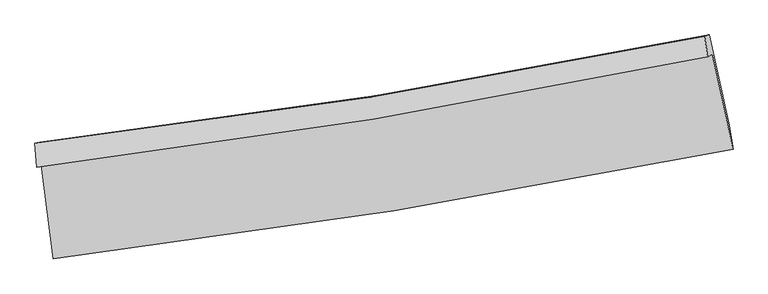
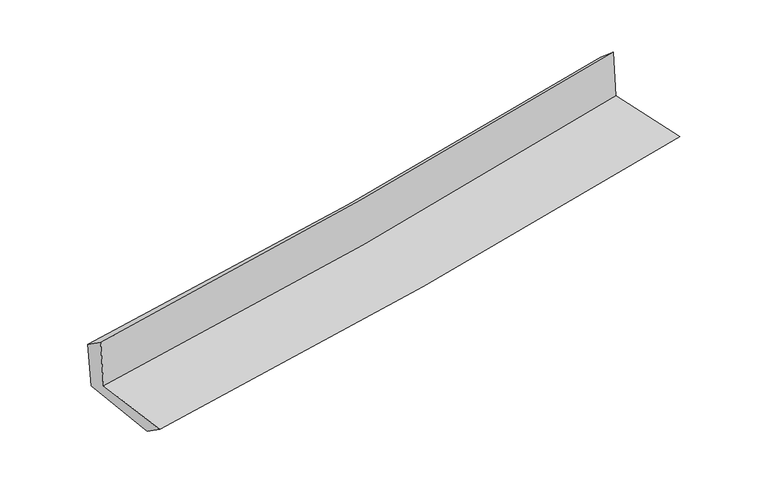
"""IFC4 building model written with IfcOpenShell, lengths in millimetres: proxy geometry."""

from ifc_helpers import new_model, si_unit, frame, origin, place, context, project, spatial, source, transform, mapped, element, save
from ifc_brep_helpers import plane_surface, spline_curve, spline_surface, advanced_brep


def generic_models_81c7d0da(model_context):
    return source(origin(), model_context, "Body", "AdvancedBrep", [
        advanced_brep(
        [(-2367.1908452, -1870.5491567, 1673.9126826), (-2282.3228275, -2526.6269826, 1662.0319447), (2456.492469, -1761.4113408, 2098.8140616), (2311.7644744, -1100.4552569, 2105.7917038), (-2400.0609636, -1886.8838435, 2073.6543111), (2278.894356, -1116.7899438, 2505.5333323), (-2411.3290956, -1722.6874057, 1962.598996), (2258.7646989, -973.6107653, 2383.9118252), (-2379.1825382, -1715.1204589, 1583.9419863), (2291.6120852, -965.9217473, 2005.1006647), (-2292.7674613, -2369.9228132, 1552.506787), (2431.4454861, -1596.5606952, 1979.3083459)],
        [
            (0, 1),
            (1, 2, spline_curve(3, [(-2282.3228275, -2526.6269826, 1662.0319447), (-1488.635151947, -2431.598804238, 1732.236098195), (-697.654845814, -2320.472552818, 1803.663314275), (881.971454274, -2065.526734896, 1949.247775381), (1670.596247, -1921.581105535, 2023.414598315), (2456.492469, -1761.4113408, 2098.8140616)], [4, 2, 4], [0.0, 7.845572524451976, 15.721804117332649])),
            (2, 3),
            (3, 0, spline_curve(3, [(2311.7644744, -1100.4552569, 2105.7917038), (1536.216236334, -1262.632161113, 2031.211169594), (757.763151518, -1407.987511527, 1957.863199025), (-801.91119234, -1664.55477361, 1813.913102259), (-1583.109880987, -1775.897389817, 1743.301399192), (-2367.1908452, -1870.5491567, 1673.9126826)], [4, 2, 4], [0.0, 7.876231592880673, 15.721804117332649])),
            (4, 0),
            (3, 5),
            (5, 4, spline_curve(3, [(2278.894356, -1116.7899438, 2505.5333323), (1502.799158257, -1279.238657451, 2437.604508409), (724.073127128, -1424.729647617, 2367.575907143), (-835.599087902, -1681.295851784, 2223.599918034), (-1616.524829768, -1792.502828072, 2149.668845518), (-2400.0609636, -1886.8838435, 2073.6543111)], [4, 2, 4], [0.0, 7.828254145141685, 15.626035979168233])),
            (6, 4),
            (5, 7),
            (7, 6, spline_curve(3, [(2258.7646989, -973.6107653, 2383.9118252), (1484.349006564, -1132.367449012, 2311.729505019), (707.202433753, -1274.257748312, 2240.462256677), (-849.516717094, -1523.818909213, 2100.031756846), (-1629.068075665, -1631.620823114, 2030.861395554), (-2411.3290956, -1722.6874057, 1962.598996)], [4, 2, 4], [0.0, 7.817542916622147, 15.604655216724378])),
            (8, 6),
            (7, 9),
            (9, 8, spline_curve(3, [(2291.6120852, -965.9217473, 2005.1006647), (1517.095980614, -1124.700161498, 1932.769996037), (739.840669156, -1266.611517075, 1861.441614036), (-817.112156009, -1516.213363111, 1721.063175762), (-1596.788385664, -1624.034911078, 1652.005331562), (-2379.1825382, -1715.1204589, 1583.9419863)], [4, 2, 4], [0.0, 7.807434444231224, 15.584477620245472])),
            (10, 8),
            (9, 11),
            (11, 10, spline_curve(3, [(2431.4454861, -1596.5606952, 1979.3083459), (1649.224663748, -1764.610127097, 1905.833054625), (863.655600232, -1913.169430291, 1833.461401769), (-711.10806519, -2170.805363632, 1691.202790752), (-1500.276650675, -2280.033433027, 1621.307257523), (-2292.7674613, -2369.9228132, 1552.506787)], [4, 2, 4], [0.0, 7.855098324041096, 15.679619843148142])),
            (1, 10),
            (11, 2),
        ],
        [
            spline_surface(3, 3, [[(-2367.1908452, -1870.5491567, 1673.9126826), (-1583.109880907, -1775.897389758, 1743.301399142), (-801.911192425, -1664.554773626, 1813.913102321), (757.763151603, -1407.987511511, 1957.863198963), (1536.216236332, -1262.632161041, 2031.211169511), (2311.7644744, -1100.4552569, 2105.7917038)], [(-2338.901505967, -2089.241765339, 1669.952436661), (-1551.618304555, -1994.464527923, 1739.612965512), (-767.159076875, -1883.194033391, 1810.496506301), (799.165919136, -1627.167252616, 1954.991391152), (1581.009573208, -1482.28180921, 2028.612312498), (2360.007139257, -1320.773951533, 2103.465823084)], [(-2310.612166733, -2307.934373961, 1665.992190639), (-1520.126728203, -2213.031666071, 1735.9245318), (-732.406961309, -2101.83329314, 1807.079910213), (840.568686685, -1846.346993704, 1952.119583274), (1625.802910114, -1701.93145738, 2026.013455433), (2408.249804143, -1541.092646167, 2101.139942316)], [(-2282.3228275, -2526.6269826, 1662.0319447), (-1488.635151851, -2431.598804236, 1732.23609817), (-697.654845759, -2320.472552905, 1803.663314193), (881.971454218, -2065.526734809, 1949.247775463), (1670.59624699, -1921.581105549, 2023.414598421), (2456.492469, -1761.4113408, 2098.8140616)]], [4, 4], [4, 2, 4], [0.0, 2.1872238188429063], [0.0, 7.845572524451976, 15.721804117332649]),
            spline_surface(3, 3, [[(-2400.0609636, -1886.8838435, 2073.6543111), (-1616.524829771, -1792.502828092, 2149.668845437), (-835.599087852, -1681.295851734, 2223.599918023), (724.073127077, -1424.729647667, 2367.575907154), (1502.79915837, -1279.238657522, 2437.604508295), (2278.894356, -1116.7899438, 2505.5333323)], [(-2389.104257447, -1881.438947884, 1940.40710158), (-1605.386513464, -1786.967681964, 2014.213029985), (-824.369789388, -1675.715492352, 2087.037646106), (735.303135241, -1419.148935602, 2231.005004407), (1513.938184377, -1273.703158712, 2302.140062014), (2289.851062153, -1111.345048184, 2372.28612278)], [(-2378.147551353, -1875.994052316, 1807.15989212), (-1594.248197214, -1781.432535886, 1878.757214593), (-813.140490889, -1670.135133008, 1950.475374239), (746.533143439, -1413.568223576, 2094.43410171), (1525.077210325, -1268.167659851, 2166.675615792), (2300.807768247, -1105.900152516, 2239.03891332)], [(-2367.1908452, -1870.5491567, 1673.9126826), (-1583.109880907, -1775.897389758, 1743.301399142), (-801.911192425, -1664.554773626, 1813.913102321), (757.763151603, -1407.987511511, 1957.863198963), (1536.216236332, -1262.632161041, 2031.211169511), (2311.7644744, -1100.4552569, 2105.7917038)]], [4, 4], [4, 2, 4], [0.0, 1.349813980606237], [0.0, 7.797781834026548, 15.626035979168233]),
            spline_surface(3, 3, [[(-2411.3290956, -1722.6874057, 1962.598996), (-1629.068075628, -1631.620823238, 2030.861395648), (-849.516716986, -1523.818909086, 2100.031756974), (707.202433645, -1274.25774844, 2240.462256549), (1484.349006451, -1132.367449129, 2311.729504945), (2258.7646989, -973.6107653, 2383.9118252)], [(-2407.573051596, -1777.419551658, 1999.61743438), (-1624.886993672, -1685.248158215, 2070.463878925), (-844.877507259, -1576.31122333, 2141.22114399), (712.825998138, -1324.41504821, 2282.833473417), (1490.499057063, -1181.324518588, 2353.687839405), (2265.474584573, -1021.337158128, 2424.452327577)], [(-2403.817007604, -1832.151697542, 2036.63587272), (-1620.705911727, -1738.875493116, 2110.06636216), (-840.238297579, -1628.80353749, 2182.410531007), (718.449562584, -1374.572347897, 2325.204690286), (1496.649107758, -1230.281588063, 2395.646173835), (2272.184470327, -1069.063550972, 2464.992829923)], [(-2400.0609636, -1886.8838435, 2073.6543111), (-1616.524829771, -1792.502828092, 2149.668845437), (-835.599087852, -1681.295851734, 2223.599918023), (724.073127077, -1424.729647667, 2367.575907154), (1502.79915837, -1279.238657522, 2437.604508295), (2278.894356, -1116.7899438, 2505.5333323)]], [4, 4], [4, 2, 4], [0.0, 0.6533168074204102], [0.0, 7.7871123001022315, 15.604655216724378]),
            spline_surface(3, 3, [[(-2379.1825382, -1715.1204589, 1583.9419863), (-1596.788385576, -1624.034911181, 1652.005331484), (-817.112155898, -1516.213362994, 1721.063175743), (739.840669044, -1266.611517192, 1861.441614055), (1517.095980484, -1124.700161502, 1932.769995914), (2291.6120852, -965.9217473, 2005.1006647)], [(-2389.898057336, -1717.64277448, 1710.160989518), (-1607.548282263, -1626.563548514, 1778.29068619), (-827.913676245, -1518.748545021, 1847.386036172), (728.96125726, -1269.160260938, 1987.781828238), (1506.180322489, -1127.255924018, 2059.089832241), (2280.662956449, -968.484753274, 2131.371051516)], [(-2400.613576464, -1720.16509012, 1836.379992782), (-1618.308178942, -1629.092185906, 1904.576040942), (-838.715196639, -1521.283727059, 1973.708896545), (718.081845429, -1271.709004695, 2114.122042366), (1495.264664447, -1129.811686613, 2185.409668618), (2269.713827651, -971.047759326, 2257.641438384)], [(-2411.3290956, -1722.6874057, 1962.598996), (-1629.068075628, -1631.620823238, 2030.861395648), (-849.516716986, -1523.818909086, 2100.031756974), (707.202433645, -1274.25774844, 2240.462256549), (1484.349006451, -1132.367449129, 2311.729504945), (2258.7646989, -973.6107653, 2383.9118252)]], [4, 4], [4, 2, 4], [0.0, 1.2482413108544526], [0.0, 7.777043176014248, 15.584477620245472]),
            spline_surface(3, 3, [[(-2292.7674613, -2369.9228132, 1552.506787), (-1500.276650617, -2280.033433045, 1621.307257434), (-711.108065061, -2170.805363548, 1691.202790773), (863.655600103, -1913.169430376, 1833.461401747), (1649.224663689, -1764.610127163, 1905.833054689), (2431.4454861, -1596.5606952, 1979.3083459)], [(-2321.57248694, -2151.655361784, 1562.985186777), (-1532.447228943, -2061.367259108, 1631.539948794), (-746.442762008, -1952.608030025, 1701.156252413), (822.383956416, -1697.650125977, 1842.788139166), (1605.181769293, -1551.306805277, 1914.812035105), (2384.834352472, -1386.347712567, 1987.905785508)], [(-2350.37751256, -1933.387910316, 1573.463586523), (-1564.61780725, -1842.701085118, 1641.772640124), (-781.777458951, -1734.410696516, 1711.109714103), (781.112312732, -1482.130821591, 1852.114876636), (1561.13887488, -1338.003483388, 1923.791015497), (2338.223218828, -1176.134729933, 1996.503225092)], [(-2379.1825382, -1715.1204589, 1583.9419863), (-1596.788385576, -1624.034911181, 1652.005331484), (-817.112155898, -1516.213362994, 1721.063175743), (739.840669044, -1266.611517192, 1861.441614055), (1517.095980484, -1124.700161502, 1932.769995914), (2291.6120852, -965.9217473, 2005.1006647)]], [4, 4], [4, 2, 4], [0.0, 2.1695152589102733], [0.0, 7.824521519107046, 15.679619843148142]),
            spline_surface(3, 3, [[(-2282.3228275, -2526.6269826, 1662.0319447), (-1488.635151851, -2431.598804236, 1732.23609817), (-697.654845759, -2320.472552905, 1803.663314193), (881.971454218, -2065.526734809, 1949.247775463), (1670.59624699, -1921.581105549, 2023.414598421), (2456.492469, -1761.4113408, 2098.8140616)], [(-2285.804372114, -2474.392259454, 1625.523558785), (-1492.515651454, -2381.077013827, 1695.259817909), (-702.139252206, -2270.583489773, 1766.176473046), (875.8661695, -2014.740966652, 1910.652317552), (1663.472385887, -1869.257446101, 1984.220750512), (2448.143474697, -1706.461125614, 2058.978823035)], [(-2289.285916686, -2422.157536346, 1589.015172915), (-1496.396151014, -2330.555223454, 1658.283537694), (-706.623658614, -2220.694426679, 1728.689631919), (869.760884821, -1963.955198533, 1872.056859659), (1656.348524793, -1816.933786611, 1945.026902598), (2439.794480403, -1651.510910386, 2019.143584465)], [(-2292.7674613, -2369.9228132, 1552.506787), (-1500.276650617, -2280.033433045, 1621.307257434), (-711.108065061, -2170.805363548, 1691.202790773), (863.655600103, -1913.169430376, 1833.461401747), (1649.224663689, -1764.610127163, 1905.833054689), (2431.4454861, -1596.5606952, 1979.3083459)]], [4, 4], [4, 2, 4], [0.0, 0.6232262315706063], [0.0, 7.882399156304468, 15.79560129280729]),
            plane_surface(frame((2338.1622616, -1252.4582916, 2179.7433223), z_axis=(0.9732009486794997, 0.21216317868425139, 0.08869441414157071), x_axis=(-0.08636994947547595, -0.020217745309629796, 0.9960579674909482))),
            plane_surface(frame((-2355.4756219, -2015.2984434, 1751.4411179), z_axis=(-0.9882246128627129, -0.12626845316102642, -0.08641986038326503), x_axis=(-0.1282670729191375, 0.9915770936906605, 0.01795620429656078))),
        ],
        [
            (0, [[1, 2, 3, 4]]),
            (1, [[5, -4, 6, 7]]),
            (2, [[8, -7, 9, 10]]),
            (3, [[11, -10, 12, 13]]),
            (4, [[14, -13, 15, 16]]),
            (5, [[17, -16, 18, -2]]),
            (6, [[-12, -9, -6, -3, -18, -15]]),
            (7, [[-1, -5, -8, -11, -14, -17]]),
        ],
    ),
    ])


if __name__ == "__main__":
    model = new_model("IFC4")
    model_context = context("Model", 3, world=origin())
    ifc_project = project(units=[si_unit("LENGTHUNIT", "METRE", prefix="MILLI")], contexts=[model_context])
    site = spatial("IfcSite", under=ifc_project)
    building = spatial("IfcBuilding", under=site)
    placement = place(None, origin())
    generic_models_shape = generic_models_81c7d0da(model_context)
    element("IfcBuildingElementProxy", 1, Name="Generic Models", at=placement, inside=building, context=model_context, shape_type="MappedRepresentation", body=[
        mapped(generic_models_shape, transform((0.0, 0.0, 0.0), x_axis=(1.0, 0.0, 0.0), y_axis=(0.0, 1.0, 0.0), z_axis=(0.0, 0.0, 1.0))),
    ])
    save(model, "model.ifc")
